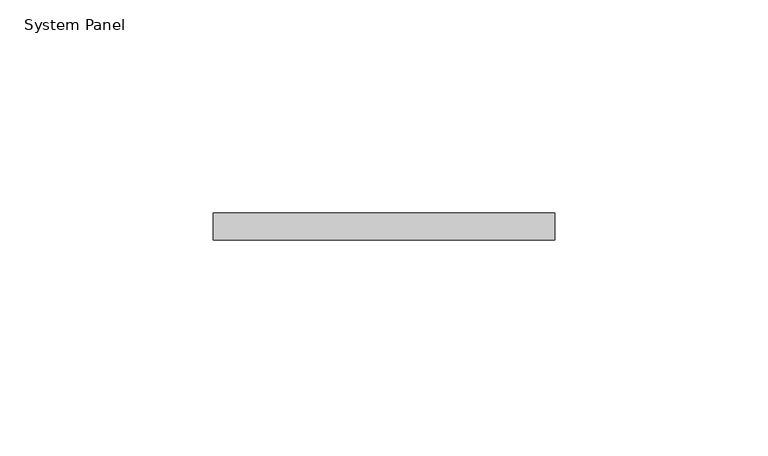
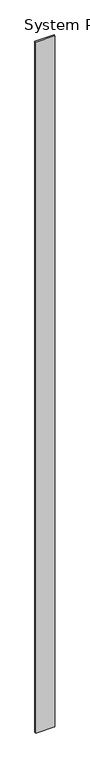
"""IFC4 building model written with IfcOpenShell, lengths in millimetres: plate geometry, System Panel."""

from ifc_helpers import new_model, si_unit, origin, origin_with_axes, place, context, project, spatial, polyline, outline, extrude, source, transform, mapped, element, save


def system_panel_34246de5(model_context):
    return source(origin(), model_context, "Body", "SweptSolid", [
        extrude(outline(polyline([(39.974536, -6.35), (-39.974536, -6.35), (-39.974536, 0.0), (39.974536, 0.0), (39.974536, -6.35)])), origin_with_axes(), (0.0, 0.0, 1.0), 3048.0),
    ])


if __name__ == "__main__":
    model = new_model("IFC4")
    model_context = context("Model", 3, world=origin())
    ifc_project = project(units=[si_unit("LENGTHUNIT", "METRE", prefix="MILLI")], contexts=[model_context])
    site = spatial("IfcSite", under=ifc_project)
    building = spatial("IfcBuilding", under=site)
    placement = place(None, origin())
    system_panel_shape = system_panel_34246de5(model_context)
    element("IfcPlate", 1, ObjectType="System Panel", at=placement, inside=building, context=model_context, shape_type="MappedRepresentation", body=[
        mapped(system_panel_shape, transform((0.0, 0.0, 0.0), x_axis=(1.0, 0.0, 0.0), y_axis=(0.0, 1.0, 0.0), z_axis=(0.0, 0.0, 1.0))),
    ])
    save(model, "model.ifc")
